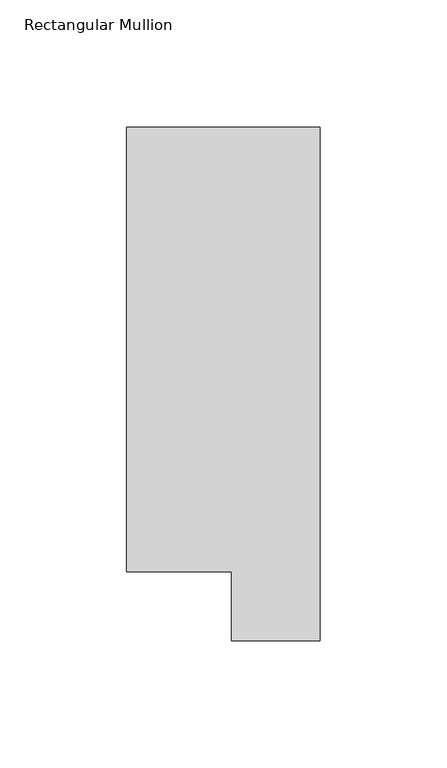
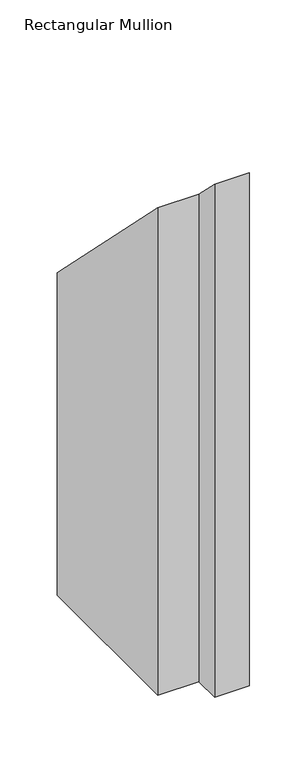
"""IFC4 building model written with IfcOpenShell, lengths in millimetres: member geometry, Rectangular Mullion."""

from ifc_helpers import new_model, si_unit, origin, place, context, project, spatial, faceted_brep, source, transform, mapped, element, save


def rectangular_mullion_8cf4a22c(model_context):
    return source(origin(), model_context, "Body", "Brep", [
        faceted_brep([(0.0, 222.0301312, -565.1499998), (0.0, 19.5667312, -565.1499998), (-34.9123, 19.5667312, -565.1499998), (-34.9123, 46.7447302, -565.1499998), (-76.2, 46.7447302, -565.1499998), (-76.2, 222.0301312, -565.1499998), (-76.2, 222.0301312, -222.0301313), (0.0, 222.0301312, -222.0301313), (-76.2, 46.7447302, -46.7447302), (-34.9123, 46.7447302, -46.7447302), (-34.9123, 19.5667312, -19.5667312), (0.0, 19.5667312, -19.5667312)], [[[0, 1, 2, 3, 4, 5]], [[6, 7, 0, 5]], [[8, 6, 5, 4]], [[9, 8, 4, 3]], [[10, 9, 3, 2]], [[11, 10, 2, 1]], [[7, 11, 1, 0]], [[7, 6, 8, 9, 10, 11]]]),
    ])


if __name__ == "__main__":
    model = new_model("IFC4")
    model_context = context("Model", 3, world=origin())
    ifc_project = project(units=[si_unit("LENGTHUNIT", "METRE", prefix="MILLI")], contexts=[model_context])
    site = spatial("IfcSite", under=ifc_project)
    building = spatial("IfcBuilding", under=site)
    placement = place(None, origin())
    rectangular_mullion_shape = rectangular_mullion_8cf4a22c(model_context)
    element("IfcMember", 1, ObjectType="Rectangular Mullion", at=placement, inside=building, context=model_context, shape_type="MappedRepresentation", body=[
        mapped(rectangular_mullion_shape, transform((0.0, 0.0, 0.0), x_axis=(1.0, 0.0, 0.0), y_axis=(0.0, 1.0, 0.0), z_axis=(0.0, 0.0, 1.0))),
    ])
    save(model, "model.ifc")
